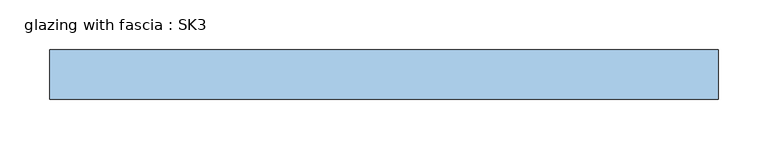
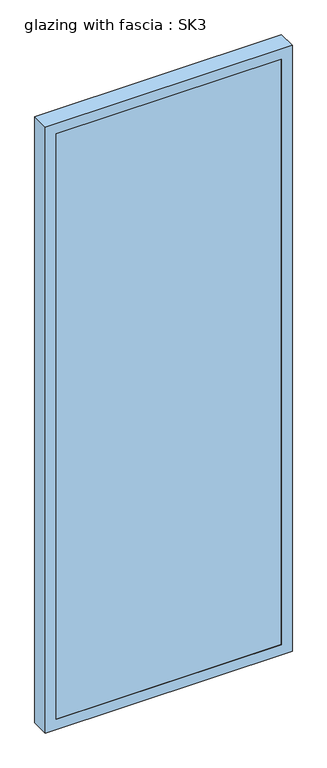
"""IFC4 building model written with IfcOpenShell, lengths in millimetres: window geometry, glazing with fascia : SK3."""

from ifc_helpers import new_model, si_unit, frame, origin, place, context, project, spatial, polyline, outline, extrude, source, transform, mapped, element, save


def glazing_with_fascia_sk3_8883d6a5(model_context):
    return source(origin(), model_context, "Body", "SweptSolid", [
        extrude(outline(polyline([(307.5, 0.1334055), (-307.5, 0.1334055), (-307.5, 8.1334055), (307.5, 8.1334055), (307.5, 0.1334055)])), frame((0.0, 0.0, 30.0), z_axis=(0.0, 0.0, 1.0), x_axis=(1.0, 0.0, 0.0)), (0.0, 0.0, 1.0), 1690.0),
        extrude(outline(polyline([(1750.0, -337.5), (0.0, -337.5), (0.0, 337.5), (1750.0, 337.5), (1750.0, -337.5)]), holes=[polyline([(1720.0, -307.5), (1720.0, 307.5), (30.0, 307.5), (30.0, -307.5), (1720.0, -307.5)])]), frame((0.0, 0.0, 0.0), z_axis=(0.0, 1.0, 0.0), x_axis=(0.0, 0.0, 1.0)), (0.0, 0.0, 1.0), 50.0),
        extrude(outline(polyline([(-307.5, 48.1334055), (307.5, 48.1334055), (307.5, 8.1334055), (-307.5, 8.1334055), (-307.5, 48.1334055)])), frame((0.0, 0.0, 1580.4), z_axis=(0.0, 0.0, 1.0), x_axis=(1.0, 0.0, 0.0)), (0.0, 0.0, 1.0), 30.0),
        extrude(outline(polyline([(-307.5, 48.1334055), (307.5, 48.1334055), (307.5, 8.1334055), (-307.5, 8.1334055), (-307.5, 48.1334055)])), frame((0.0, 0.0, 1490.4), z_axis=(0.0, 0.0, 1.0), x_axis=(1.0, 0.0, 0.0)), (0.0, 0.0, 1.0), 30.0),
        extrude(outline(polyline([(-307.5, 48.1334055), (307.5, 48.1334055), (307.5, 8.1334055), (-307.5, 8.1334055), (-307.5, 48.1334055)])), frame((0.0, 0.0, 1400.4), z_axis=(0.0, 0.0, 1.0), x_axis=(1.0, 0.0, 0.0)), (0.0, 0.0, 1.0), 30.0),
        extrude(outline(polyline([(-307.5, 48.1334055), (307.5, 48.1334055), (307.5, 8.1334055), (-307.5, 8.1334055), (-307.5, 48.1334055)])), frame((0.0, 0.0, 1310.4), z_axis=(0.0, 0.0, 1.0), x_axis=(1.0, 0.0, 0.0)), (0.0, 0.0, 1.0), 30.0),
        extrude(outline(polyline([(-307.5, 48.1334055), (307.5, 48.1334055), (307.5, 8.1334055), (-307.5, 8.1334055), (-307.5, 48.1334055)])), frame((0.0, 0.0, 1220.4), z_axis=(0.0, 0.0, 1.0), x_axis=(1.0, 0.0, 0.0)), (0.0, 0.0, 1.0), 30.0),
        extrude(outline(polyline([(-307.5, 48.1334055), (307.5, 48.1334055), (307.5, 8.1334055), (-307.5, 8.1334055), (-307.5, 48.1334055)])), frame((0.0, 0.0, 1130.4), z_axis=(0.0, 0.0, 1.0), x_axis=(1.0, 0.0, 0.0)), (0.0, 0.0, 1.0), 30.0),
        extrude(outline(polyline([(-307.5, 48.1334055), (307.5, 48.1334055), (307.5, 8.1334055), (-307.5, 8.1334055), (-307.5, 48.1334055)])), frame((0.0, 0.0, 1040.4), z_axis=(0.0, 0.0, 1.0), x_axis=(1.0, 0.0, 0.0)), (0.0, 0.0, 1.0), 30.0),
        extrude(outline(polyline([(-307.5, 48.1334055), (307.5, 48.1334055), (307.5, 8.1334055), (-307.5, 8.1334055), (-307.5, 48.1334055)])), frame((0.0, 0.0, 950.4), z_axis=(0.0, 0.0, 1.0), x_axis=(1.0, 0.0, 0.0)), (0.0, 0.0, 1.0), 30.0),
        extrude(outline(polyline([(-307.5, 48.1334055), (307.5, 48.1334055), (307.5, 8.1334055), (-307.5, 8.1334055), (-307.5, 48.1334055)])), frame((0.0, 0.0, 860.4), z_axis=(0.0, 0.0, 1.0), x_axis=(1.0, 0.0, 0.0)), (0.0, 0.0, 1.0), 30.0),
        extrude(outline(polyline([(-307.5, 48.1334055), (307.5, 48.1334055), (307.5, 8.1334055), (-307.5, 8.1334055), (-307.5, 48.1334055)])), frame((0.0, 0.0, 770.4), z_axis=(0.0, 0.0, 1.0), x_axis=(1.0, 0.0, 0.0)), (0.0, 0.0, 1.0), 30.0),
        extrude(outline(polyline([(-307.5, 48.1334055), (307.5, 48.1334055), (307.5, 8.1334055), (-307.5, 8.1334055), (-307.5, 48.1334055)])), frame((0.0, 0.0, 680.4), z_axis=(0.0, 0.0, 1.0), x_axis=(1.0, 0.0, 0.0)), (0.0, 0.0, 1.0), 30.0),
        extrude(outline(polyline([(-307.5, 48.1334055), (307.5, 48.1334055), (307.5, 8.1334055), (-307.5, 8.1334055), (-307.5, 48.1334055)])), frame((0.0, 0.0, 590.4), z_axis=(0.0, 0.0, 1.0), x_axis=(1.0, 0.0, 0.0)), (0.0, 0.0, 1.0), 30.0),
        extrude(outline(polyline([(-307.5, 48.1334055), (307.5, 48.1334055), (307.5, 8.1334055), (-307.5, 8.1334055), (-307.5, 48.1334055)])), frame((0.0, 0.0, 500.4), z_axis=(0.0, 0.0, 1.0), x_axis=(1.0, 0.0, 0.0)), (0.0, 0.0, 1.0), 30.0),
        extrude(outline(polyline([(-307.5, 48.1334055), (307.5, 48.1334055), (307.5, 8.1334055), (-307.5, 8.1334055), (-307.5, 48.1334055)])), frame((0.0, 0.0, 410.4), z_axis=(0.0, 0.0, 1.0), x_axis=(1.0, 0.0, 0.0)), (0.0, 0.0, 1.0), 30.0),
        extrude(outline(polyline([(-307.5, 48.1334055), (307.5, 48.1334055), (307.5, 8.1334055), (-307.5, 8.1334055), (-307.5, 48.1334055)])), frame((0.0, 0.0, 320.4), z_axis=(0.0, 0.0, 1.0), x_axis=(1.0, 0.0, 0.0)), (0.0, 0.0, 1.0), 30.0),
        extrude(outline(polyline([(-307.5, 48.1334055), (307.5, 48.1334055), (307.5, 8.1334055), (-307.5, 8.1334055), (-307.5, 48.1334055)])), frame((0.0, 0.0, 230.4), z_axis=(0.0, 0.0, 1.0), x_axis=(1.0, 0.0, 0.0)), (0.0, 0.0, 1.0), 30.0),
        extrude(outline(polyline([(-307.5, 48.1334055), (307.5, 48.1334055), (307.5, 8.1334055), (-307.5, 8.1334055), (-307.5, 48.1334055)])), frame((0.0, 0.0, 140.4), z_axis=(0.0, 0.0, 1.0), x_axis=(1.0, 0.0, 0.0)), (0.0, 0.0, 1.0), 30.0),
        extrude(outline(polyline([(-307.5, 48.1334055), (307.5, 48.1334055), (307.5, 8.1334055), (-307.5, 8.1334055), (-307.5, 48.1334055)])), frame((0.0, 0.0, 50.4), z_axis=(0.0, 0.0, 1.0), x_axis=(1.0, 0.0, 0.0)), (0.0, 0.0, 1.0), 30.0),
        extrude(outline(polyline([(-307.5, 48.1334055), (307.5, 48.1334055), (307.5, 8.1334055), (-307.5, 8.1334055), (-307.5, 48.1334055)])), frame((0.0, 0.0, 1670.0), z_axis=(0.0, 0.0, 1.0), x_axis=(1.0, 0.0, 0.0)), (0.0, 0.0, 1.0), 30.0),
    ])


if __name__ == "__main__":
    model = new_model("IFC4")
    model_context = context("Model", 3, world=origin())
    ifc_project = project(units=[si_unit("LENGTHUNIT", "METRE", prefix="MILLI")], contexts=[model_context])
    site = spatial("IfcSite", under=ifc_project)
    building = spatial("IfcBuilding", under=site)
    placement = place(None, origin())
    glazing_with_fascia_sk3_shape = glazing_with_fascia_sk3_8883d6a5(model_context)
    element("IfcWindow", 1, ObjectType="glazing with fascia : SK3", at=placement, inside=building, context=model_context, shape_type="MappedRepresentation", body=[
        mapped(glazing_with_fascia_sk3_shape, transform((0.0, 0.0, 0.0), x_axis=(1.0, 0.0, 0.0), y_axis=(0.0, 1.0, 0.0), z_axis=(0.0, 0.0, 1.0))),
    ])
    save(model, "model.ifc")
